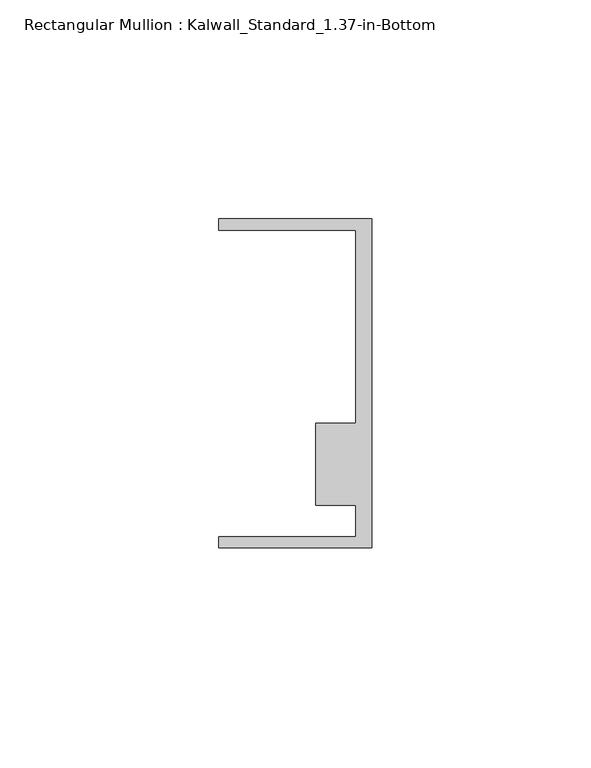
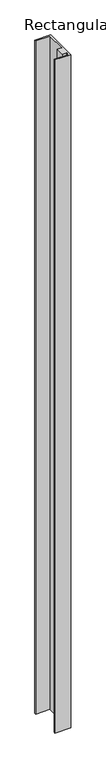
"""IFC4 building model written with IfcOpenShell, lengths in millimetres: member geometry, Rectangular Mullion : Kalwall_Standard_1.37-in-Bottom."""

from ifc_helpers import new_model, si_unit, frame, origin, place, context, project, spatial, polyline, outline, extrude, source, transform, mapped, element, save


def rectangular_mullion_kalwall_standard_1_37_in_bottom_77ff7c0a(model_context):
    return source(origin(), model_context, "Body", "SweptSolid", [
        extrude(outline(polyline([(0.0, -37.5776386), (-34.925, -37.5776386), (-34.925, -35.0376386), (-3.7084, -35.0376386), (-3.7084, -27.8888568), (-12.8272539, -27.8888568), (-12.8272539, -9.1879886), (-3.7084, -9.1879886), (-3.7084, 34.9623614), (-34.925, 34.9623614), (-34.925, 37.5023614), (0.0, 37.5023614), (0.0, -37.5776386)])), frame((0.0, 0.0, -1552.956), z_axis=(0.0, 0.0, 1.0), x_axis=(1.0, 0.0, 0.0)), (0.0, 0.0, 1.0), 1552.956),
    ])


if __name__ == "__main__":
    model = new_model("IFC4")
    model_context = context("Model", 3, world=origin())
    ifc_project = project(units=[si_unit("LENGTHUNIT", "METRE", prefix="MILLI")], contexts=[model_context])
    site = spatial("IfcSite", under=ifc_project)
    building = spatial("IfcBuilding", under=site)
    placement = place(None, origin())
    rectangular_mullion_kalwall_standard_1_37_in_bottom_shape = rectangular_mullion_kalwall_standard_1_37_in_bottom_77ff7c0a(model_context)
    element("IfcMember", 1, ObjectType="Rectangular Mullion : Kalwall_Standard_1.37-in-Bottom", at=placement, inside=building, context=model_context, shape_type="MappedRepresentation", body=[
        mapped(rectangular_mullion_kalwall_standard_1_37_in_bottom_shape, transform((0.0, 0.0, 0.0), x_axis=(1.0, 0.0, 0.0), y_axis=(0.0, 1.0, 0.0), z_axis=(0.0, 0.0, 1.0))),
    ])
    save(model, "model.ifc")
